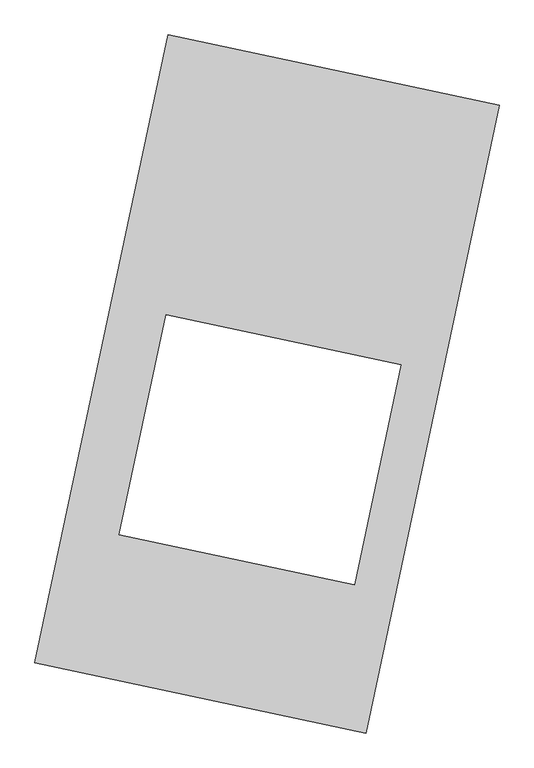
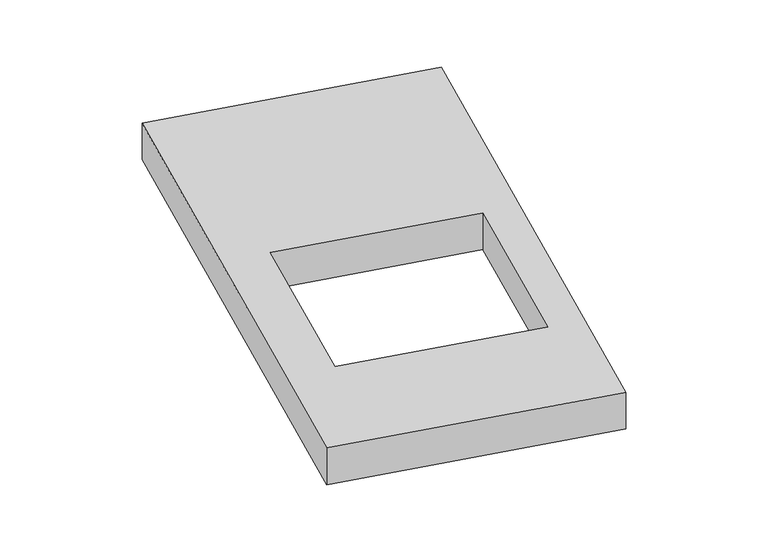
"""IFC4 building model written with IfcOpenShell, lengths in millimetres: proxy geometry."""

from ifc_helpers import new_model, si_unit, origin, origin_with_axes, place, context, project, spatial, polyline, outline, extrude, source, transform, mapped, element, save


def generic_models_f6399b2a(model_context):
    return source(origin(), model_context, "Body", "SweptSolid", [
        extrude(outline(polyline([(-617.3692021, 2175.5580432), (1447.7508745, 1737.3010494), (617.3692021, -2175.5580432), (-1447.7508745, -1737.3010494), (-617.3692021, 2175.5580432)]), holes=[polyline([(835.9823083, 119.9686632), (-630.5422345, 431.1925212), (-921.3086291, -938.9339747), (545.2159137, -1250.1578327), (835.9823083, 119.9686632)])]), origin_with_axes(), (0.0, 0.0, 1.0), 300.0),
    ])


if __name__ == "__main__":
    model = new_model("IFC4")
    model_context = context("Model", 3, world=origin())
    ifc_project = project(units=[si_unit("LENGTHUNIT", "METRE", prefix="MILLI")], contexts=[model_context])
    site = spatial("IfcSite", under=ifc_project)
    building = spatial("IfcBuilding", under=site)
    placement = place(None, origin())
    generic_models_shape = generic_models_f6399b2a(model_context)
    element("IfcBuildingElementProxy", 1, Name="Generic Models", at=placement, inside=building, context=model_context, shape_type="MappedRepresentation", body=[
        mapped(generic_models_shape, transform((0.0, 0.0, 0.0), x_axis=(1.0, 0.0, 0.0), y_axis=(0.0, 1.0, 0.0), z_axis=(0.0, 0.0, 1.0))),
    ])
    save(model, "model.ifc")
